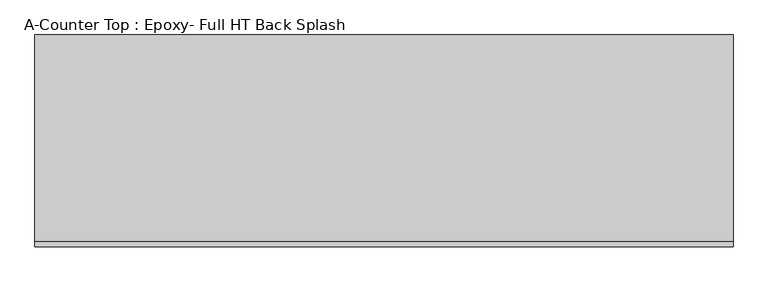
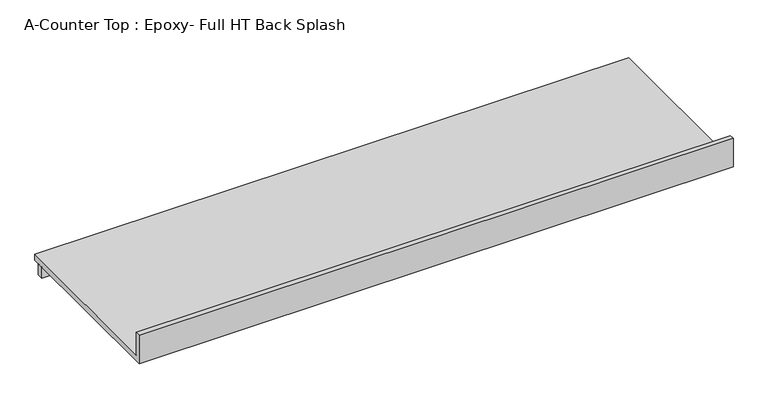
"""IFC4 building model written with IfcOpenShell, lengths in millimetres: furniture geometry, A-Counter Top : Epoxy- Full HT Back Splash."""

from ifc_helpers import new_model, si_unit, frame, origin, place, context, project, spatial, polyline, outline, extrude, source, transform, mapped, element, save


def a_counter_top_epoxy_full_ht_back_splash_b0b2c5db(model_context):
    return source(origin(), model_context, "Body", "SweptSolid", [
        extrude(outline(polyline([(0.0, 1041.4), (19.05, 1041.4), (19.05, 939.8), (762.0, 939.8), (762.0, 914.4), (0.0, 914.4), (0.0, 1041.4)])), frame((-1327.4622951, 0.0, 0.0), z_axis=(1.0, 0.0, 0.0), x_axis=(0.0, 1.0, 0.0)), (0.0, 0.0, 1.0), 2509.7391181),
        extrude(outline(polyline([(1182.276823, 711.2), (-1327.4622951, 711.2), (-1327.4622951, 736.6), (1182.276823, 736.6), (1182.276823, 711.2)])), frame((0.0, 0.0, 863.6), z_axis=(0.0, 0.0, 1.0), x_axis=(1.0, 0.0, 0.0)), (0.0, 0.0, 1.0), 50.8),
    ])


if __name__ == "__main__":
    model = new_model("IFC4")
    model_context = context("Model", 3, world=origin())
    ifc_project = project(units=[si_unit("LENGTHUNIT", "METRE", prefix="MILLI")], contexts=[model_context])
    site = spatial("IfcSite", under=ifc_project)
    building = spatial("IfcBuilding", under=site)
    placement = place(None, origin())
    a_counter_top_epoxy_full_ht_back_splash_shape = a_counter_top_epoxy_full_ht_back_splash_b0b2c5db(model_context)
    element("IfcFurniture", 1, ObjectType="A-Counter Top : Epoxy- Full HT Back Splash", at=placement, inside=building, context=model_context, shape_type="MappedRepresentation", body=[
        mapped(a_counter_top_epoxy_full_ht_back_splash_shape, transform((0.0, 0.0, 0.0), x_axis=(1.0, 0.0, 0.0), y_axis=(0.0, 1.0, 0.0), z_axis=(0.0, 0.0, 1.0))),
    ])
    save(model, "model.ifc")
